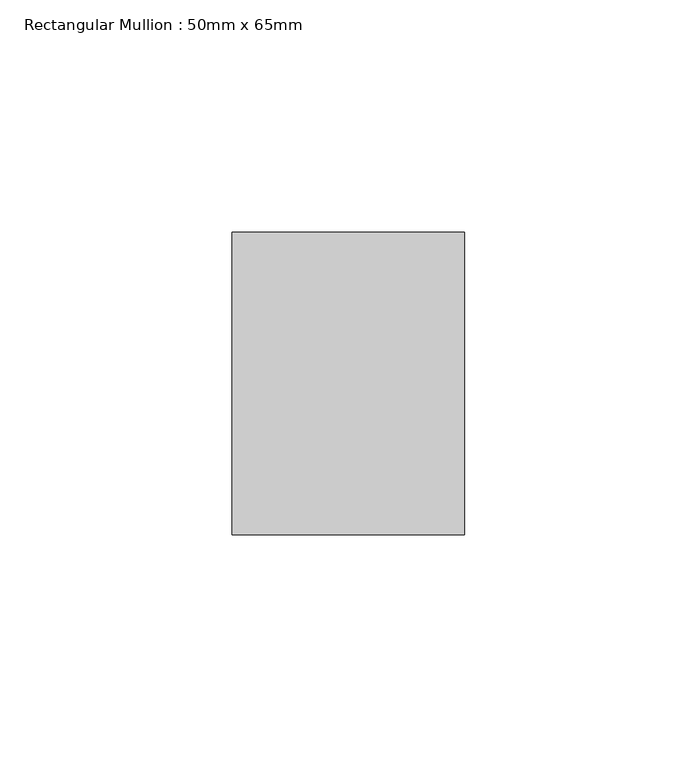
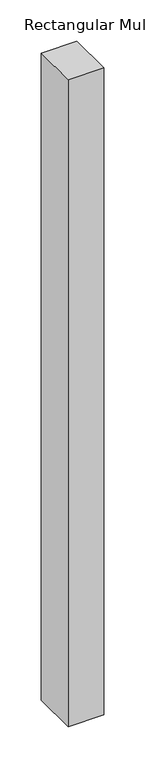
"""IFC4 building model written with IfcOpenShell, lengths in millimetres: member geometry, Rectangular Mullion : 50mm x 65mm."""

from ifc_helpers import new_model, si_unit, frame, origin, place, context, project, spatial, polyline, outline, extrude, source, transform, mapped, element, save


def rectangular_mullion_50mm_x_65mm_20b863b9(model_context):
    return source(origin(), model_context, "Body", "SweptSolid", [
        extrude(outline(polyline([(25.0, 32.5), (25.0, -32.5), (-25.0, -32.5), (-25.0, 32.5), (25.0, 32.5)])), frame((0.0, 0.0, -957.7641945), z_axis=(0.0, 0.0, 1.0), x_axis=(1.0, 0.0, 0.0)), (0.0, 0.0, 1.0), 957.7641945),
    ])


if __name__ == "__main__":
    model = new_model("IFC4")
    model_context = context("Model", 3, world=origin())
    ifc_project = project(units=[si_unit("LENGTHUNIT", "METRE", prefix="MILLI")], contexts=[model_context])
    site = spatial("IfcSite", under=ifc_project)
    building = spatial("IfcBuilding", under=site)
    placement = place(None, origin())
    rectangular_mullion_50mm_x_65mm_shape = rectangular_mullion_50mm_x_65mm_20b863b9(model_context)
    element("IfcMember", 1, ObjectType="Rectangular Mullion : 50mm x 65mm", at=placement, inside=building, context=model_context, shape_type="MappedRepresentation", body=[
        mapped(rectangular_mullion_50mm_x_65mm_shape, transform((0.0, 0.0, 0.0), x_axis=(1.0, 0.0, 0.0), y_axis=(0.0, 1.0, 0.0), z_axis=(0.0, 0.0, 1.0))),
    ])
    save(model, "model.ifc")
